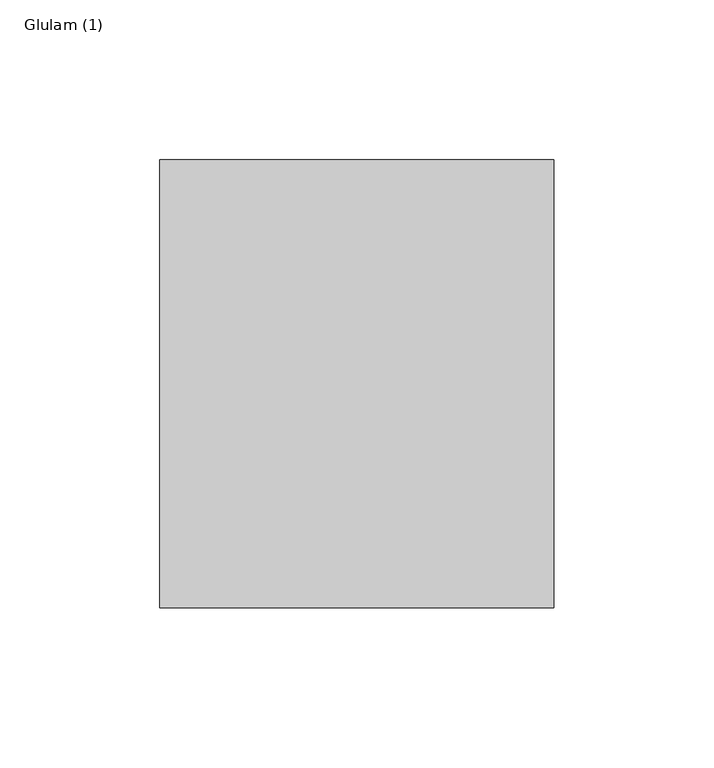
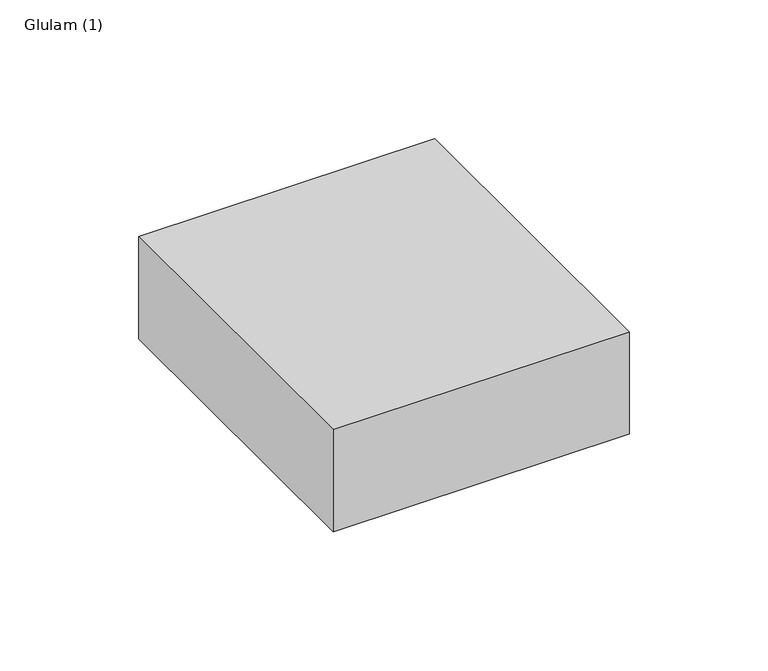
"""IFC4 building model written with IfcOpenShell, lengths in millimetres: beam geometry, Glulam (1)."""

import ifcopenshell
import ifcopenshell.guid

model = None  # the IFC model being written
_history = None  # IfcOwnerHistory: only IFC2X3 demands one
_inside = {}  # id of a spatial element -> (the spatial element, [elements in it])
_under = {}  # id of a project, library or spatial element -> (it, [spatial elements below it])
_declared = {}  # id of a project -> (the project, [libraries it declares])
_typed = {}  # id of a type object -> (the type object, [elements of that type])
_made_of = {}  # id of a material, layer set ... -> (it, [elements and type objects made of it])


def new_model(schema):
    """Start an empty IFC model of exactly this schema.

    Asked for "IFC4X3", IfcOpenShell would pick the latest addendum, in which some entities
    have other attributes; the version numbers below select the first issue.
    IFC2X3 requires an IfcOwnerHistory on every rooted entity: one is made here for all.
    """
    global model, _history
    if schema == "IFC4X3":
        model = ifcopenshell.file(schema_version=(4, 3, 0, 0))
    else:
        model = ifcopenshell.file(schema=schema)
    _inside.clear()
    _under.clear()
    _declared.clear()
    _typed.clear()
    _made_of.clear()
    _history = None
    if model.schema == "IFC2X3":
        org = make("IfcOrganization", Name="unknown")
        user = make(
            "IfcPersonAndOrganization",
            ThePerson=make("IfcPerson", FamilyName="unknown"),
            TheOrganization=org,
        )
        app = make(
            "IfcApplication",
            ApplicationDeveloper=org,
            Version="unknown",
            ApplicationFullName="unknown",
            ApplicationIdentifier="unknown",
        )
        _history = make(
            "IfcOwnerHistory",
            OwningUser=user,
            OwningApplication=app,
            ChangeAction="ADDED",
            CreationDate=0,
        )
    return model


def make(cls, **values):
    """One entity of the class cls with the attributes given. An attribute that is None is left unset."""
    return model.create_entity(
        cls, **{name: value for name, value in values.items() if value is not None}
    )


def rooted(cls, **values):
    """An entity with a GlobalId (a new one), such as an element, a storey or a relation."""
    return make(cls, GlobalId=ifcopenshell.guid.new(), OwnerHistory=_history, **values)


def si_unit(unit_type, name, prefix=None):
    """IfcSIUnit, for example si_unit("LENGTHUNIT", "METRE", prefix="MILLI")."""
    return make("IfcSIUnit", UnitType=unit_type, Prefix=prefix, Name=name)


def assignment(units):
    """IfcUnitAssignment: the units of a project."""
    return None if units is None else make("IfcUnitAssignment", Units=units)


def point(xyz):
    """IfcCartesianPoint."""
    return None if xyz is None else make("IfcCartesianPoint", Coordinates=xyz)


def direction(xyz):
    """IfcDirection."""
    return None if xyz is None else make("IfcDirection", DirectionRatios=xyz)


def frame(location, z_axis=None, x_axis=None):
    """IfcAxis2Placement3D, a coordinate frame: its origin and axes. An axis left out is left unset."""
    return make(
        "IfcAxis2Placement3D",
        Location=point(location),
        Axis=direction(z_axis),
        RefDirection=direction(x_axis),
    )


def origin():
    """The frame at (0, 0, 0) with its axes left unset."""
    return frame((0.0, 0.0, 0.0))


def place(relative_to, where):
    """IfcLocalPlacement: puts the frame where relative to a parent placement (None: the world)."""
    return make(
        "IfcLocalPlacement", PlacementRelTo=relative_to, RelativePlacement=where
    )


def context(
    kind, dimensions, precision=None, world=None, true_north=None, identifier=None
):
    """IfcGeometricRepresentationContext, for example the 3D "Model" context."""
    return make(
        "IfcGeometricRepresentationContext",
        ContextIdentifier=identifier,
        ContextType=kind,
        CoordinateSpaceDimension=dimensions,
        Precision=precision,
        WorldCoordinateSystem=world,
        TrueNorth=true_north,
    )


def project(units=None, contexts=None):
    """IfcProject with its units and contexts."""
    return rooted(
        "IfcProject",
        Name="project",
        RepresentationContexts=contexts,
        UnitsInContext=assignment(units),
    )


def spatial(cls, under=None, at=None, **own):
    """A site, building, storey or space (cls), placed at a placement, below another one or the project."""
    s = rooted(cls, ObjectPlacement=at, **own)
    if under is not None:
        _under.setdefault(under.id(), (under, []))[1].append(s)
    return s


def polyline(points):
    """IfcPolyline through the points."""
    return make("IfcPolyline", Points=[point(p) for p in points])


def outline(outer, holes=None, kind="AREA"):
    """IfcArbitraryClosedProfileDef: a profile drawn as a closed curve; with holes, ...WithVoids."""
    if holes is None:
        return make("IfcArbitraryClosedProfileDef", ProfileType=kind, OuterCurve=outer)
    return make(
        "IfcArbitraryProfileDefWithVoids",
        ProfileType=kind,
        OuterCurve=outer,
        InnerCurves=holes,
    )


def extrude(swept, where, along, depth):
    """IfcExtrudedAreaSolid: the profile swept, set in the frame where, extruded along a direction by depth."""
    return make(
        "IfcExtrudedAreaSolid",
        SweptArea=swept,
        Position=where,
        ExtrudedDirection=direction(along),
        Depth=depth,
    )


def shape(context_of_items, identifier, shape_type, items):
    """IfcShapeRepresentation: the items that make up one representation, for example the "Body"."""
    return make(
        "IfcShapeRepresentation",
        ContextOfItems=context_of_items,
        RepresentationIdentifier=identifier,
        RepresentationType=shape_type,
        Items=items,
    )


def source(mapping_origin, context_of_items, identifier, shape_type, items):
    """IfcRepresentationMap: a shape defined once, which mapped items show again and again."""
    return make(
        "IfcRepresentationMap",
        MappingOrigin=mapping_origin,
        MappedRepresentation=shape(context_of_items, identifier, shape_type, items),
    )


def transform(
    local_origin,
    x_axis=None,
    y_axis=None,
    z_axis=None,
    scale=None,
    scale2=None,
    scale3=None,
    uniform=True,
):
    """IfcCartesianTransformationOperator3D, or its non-uniform kind. x_axis, y_axis, z_axis: its Axis1, 2, 3."""
    if uniform:
        return make(
            "IfcCartesianTransformationOperator3D",
            Axis1=direction(x_axis),
            Axis2=direction(y_axis),
            LocalOrigin=point(local_origin),
            Scale=scale,
            Axis3=direction(z_axis),
        )
    return make(
        "IfcCartesianTransformationOperator3DnonUniform",
        Axis1=direction(x_axis),
        Axis2=direction(y_axis),
        LocalOrigin=point(local_origin),
        Scale=scale,
        Axis3=direction(z_axis),
        Scale2=scale2,
        Scale3=scale3,
    )


def mapped(mapping_source, mapping_target):
    """IfcMappedItem: shows the shape of a source again, moved by a transform."""
    return make(
        "IfcMappedItem", MappingSource=mapping_source, MappingTarget=mapping_target
    )


def made_of(thing, what):
    """Note that an element or type object is made of a material, layer set ...; save() writes the relation."""
    if what is not None:
        _made_of.setdefault(what.id(), (what, []))[1].append(thing)
    return thing


def element(
    cls,
    number,
    at=None,
    inside=None,
    cuts=None,
    type_object=None,
    material=None,
    context=None,
    identifier="Body",
    shape_type=None,
    held_by="IfcProductDefinitionShape",
    body=None,
    shapes=None,
    **own,
):
    """One element of the class cls, such as IfcWall. Its Tag is "e" and its number.

    at: its placement. inside: the storey or other place that contains it. cuts: it is an
    opening in that element (IfcRelVoidsElement). A single representation is given by context,
    identifier, shape_type and body (its items); several are given by shapes. held_by: the class
    of the entity that holds the representations. save() writes the other relations.
    """
    e = rooted(cls, Tag="e%d" % number, ObjectPlacement=at, **own)
    if body is not None:
        shapes = [shape(context, identifier, shape_type, body)]
    if shapes is not None:
        e.Representation = make(held_by, Representations=shapes)
    if inside is not None:
        _inside.setdefault(inside.id(), (inside, []))[1].append(e)
    if cuts is not None:
        rooted(
            "IfcRelVoidsElement", RelatingBuildingElement=cuts, RelatedOpeningElement=e
        )
    if type_object is not None:
        _typed.setdefault(type_object.id(), (type_object, []))[1].append(e)
    return made_of(e, material)


def aggregate(whole, parts):
    """IfcRelAggregates: a whole, such as a stair, and the parts it consists of."""
    return rooted("IfcRelAggregates", RelatingObject=whole, RelatedObjects=parts)


def save(model, path):
    """Write the relations noted so far, then the file.

    IfcRelAggregates (storeys below a building ...), IfcRelContainedInSpatialStructure (elements
    in a storey), IfcRelDefinesByType, IfcRelAssociatesMaterial and IfcRelDeclares: one each for
    every whole, place, type object, material and project.
    """
    for whole, parts in _under.values():
        aggregate(whole, parts)
    for where, things in _inside.values():
        rooted(
            "IfcRelContainedInSpatialStructure",
            RelatedElements=things,
            RelatingStructure=where,
        )
    for kind, things in _typed.values():
        rooted("IfcRelDefinesByType", RelatedObjects=things, RelatingType=kind)
    for what, things in _made_of.values():
        rooted("IfcRelAssociatesMaterial", RelatedObjects=things, RelatingMaterial=what)
    for by, libraries in _declared.values():
        rooted("IfcRelDeclares", RelatingContext=by, RelatedDefinitions=libraries)
    model.write(path)


def glulam_1_5a93b993(model_context):
    return source(origin(), model_context, "Body", "SweptSolid", [
        extrude(outline(polyline([(38.5, 70.0), (38.5, -70.0), (-84.5, -70.0), (-84.5, 70.0), (38.5, 70.0)])), frame((0.0, 0.0, -22.5), z_axis=(0.0, 0.0, 1.0), x_axis=(1.0, 0.0, 0.0)), (0.0, 0.0, 1.0), 45.0),
    ])


if __name__ == "__main__":
    model = new_model("IFC4")
    model_context = context("Model", 3, world=origin())
    ifc_project = project(units=[si_unit("LENGTHUNIT", "METRE", prefix="MILLI")], contexts=[model_context])
    site = spatial("IfcSite", under=ifc_project)
    building = spatial("IfcBuilding", under=site)
    placement = place(None, origin())
    glulam_1_shape = glulam_1_5a93b993(model_context)
    element("IfcBeam", 1, ObjectType="Glulam (1)", at=placement, inside=building, context=model_context, shape_type="MappedRepresentation", body=[
        mapped(glulam_1_shape, transform((0.0, 0.0, 0.0), x_axis=(1.0, 0.0, 0.0), y_axis=(0.0, 1.0, 0.0), z_axis=(0.0, 0.0, 1.0))),
    ])
    save(model, "model.ifc")
